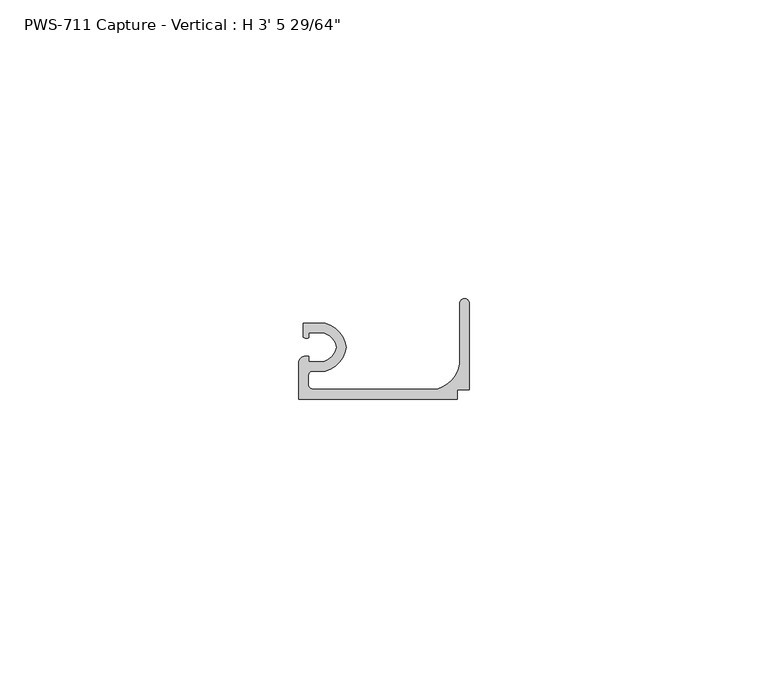
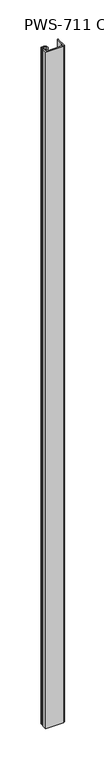
"""IFC4 building model written with IfcOpenShell, lengths in millimetres: proxy geometry."""

from ifc_helpers import new_model, si_unit, point, frame_2d, origin, origin_with_axes, place, context, project, spatial, polyline, circle_curve, trimmed, segment, composite_curve, outline, extrude, source, transform, mapped, element, save


def proxy_3355bb7a(model_context):
    return source(origin(), model_context, "Body", "SweptSolid", [
        extrude(outline(composite_curve([segment(trimmed(circle_curve(frame_2d((3.2089841, -42.7315673)), 3.2037832), [point((6.35, -42.1005))], [point((4.207924, -39.6875))], True, "CARTESIAN"), True, "CONTINUOUS"), segment(polyline([(4.207924, -39.6875), (1.6997088, -39.6875), (1.6997088, -40.5340531)]), True, "CONTINUOUS"), segment(trimmed(circle_curve(frame_2d((1.3351034, -39.4755121)), 1.1195742), [point((1.6997088, -40.5340531))], [point((0.762, -40.4372806))], False, "CARTESIAN"), True, "CONTINUOUS"), segment(polyline([(0.762, -40.4372806), (0.762, -38.1), (4.4357599, -38.1)]), True, "CONTINUOUS"), segment(trimmed(circle_curve(frame_2d((3.2089841, -42.7315673)), 4.7912832), [point((4.4357599, -38.1))], [point((7.9585261, -42.1005))], False, "CARTESIAN"), True, "CONTINUOUS"), segment(trimmed(circle_curve(frame_2d((3.2089841, -41.4694327)), 4.7912832), [point((7.9585261, -42.1005))], [point((4.4357599, -46.101))], False, "CARTESIAN"), True, "CONTINUOUS"), segment(polyline([(4.4357599, -46.101), (2.38252, -46.101)]), True, "CONTINUOUS"), segment(trimmed(circle_curve(frame_2d((2.38252, -46.89602)), 0.79502), [point((2.38252, -46.101))], [point((1.5875, -46.89602))], True, "CARTESIAN"), True, "CONTINUOUS"), segment(polyline([(1.5875, -46.89602), (1.5875, -48.3102252)]), True, "CONTINUOUS"), segment(trimmed(circle_curve(frame_2d((2.38252, -48.3102252)), 0.79502), [point((1.5875, -48.3102252))], [point((2.38252, -49.1052452))], True, "CARTESIAN"), True, "CONTINUOUS"), segment(polyline([(2.38252, -49.1052452), (23.2016903, -49.1052452)]), True, "CONTINUOUS"), segment(trimmed(circle_curve(frame_2d((21.7797652, -44.0047652)), 5.2949756), [point((23.2016903, -49.1052452))], [point((26.9875, -44.9619826))], True, "CARTESIAN"), True, "CONTINUOUS"), segment(polyline([(26.9875, -44.9619826), (26.9875, -34.76625)]), True, "CONTINUOUS"), segment(trimmed(circle_curve(frame_2d((27.78125, -34.76625)), 0.79375), [point((26.9875, -34.76625))], [point((28.575, -34.76625))], False, "CARTESIAN"), True, "CONTINUOUS"), segment(polyline([(28.575, -34.76625), (28.575, -49.2125), (26.543, -49.2125), (26.543, -50.8), (0.0, -50.8), (0.0, -44.7430936)]), True, "CONTINUOUS"), segment(trimmed(circle_curve(frame_2d((1.1429206, -44.7430936)), 1.1429206), [point((0.0, -44.7430936))], [point((0.9083659, -43.6245))], False, "CARTESIAN"), True, "CONTINUOUS"), segment(polyline([(0.9083659, -43.6245), (1.6997088, -43.6245), (1.6997088, -44.5135), (4.207924, -44.5135)]), True, "CONTINUOUS"), segment(trimmed(circle_curve(frame_2d((3.2089841, -41.4694327)), 3.2037832), [point((4.207924, -44.5135))], [point((6.35, -42.1005))], True, "CARTESIAN"), True, "CONTINUOUS")], self_intersect=False)), origin_with_axes(), (0.0, 0.0, 1.0), 1052.909375),
    ])


if __name__ == "__main__":
    model = new_model("IFC4")
    model_context = context("Model", 3, world=origin())
    ifc_project = project(units=[si_unit("LENGTHUNIT", "METRE", prefix="MILLI")], contexts=[model_context])
    site = spatial("IfcSite", under=ifc_project)
    building = spatial("IfcBuilding", under=site)
    placement = place(None, origin())
    proxy_shape = proxy_3355bb7a(model_context)
    element("IfcBuildingElementProxy", 1, Name="PWS-711 Capture - Vertical : H 3' 5 29/64\"", ObjectType="PWS-711 Capture - Vertical : H 3' 5 29/64\"", at=placement, inside=building, context=model_context, shape_type="MappedRepresentation", body=[
        mapped(proxy_shape, transform((0.0, 0.0, 0.0), x_axis=(1.0, 0.0, 0.0), y_axis=(0.0, 1.0, 0.0), z_axis=(0.0, 0.0, 1.0))),
    ])
    save(model, "model.ifc")
